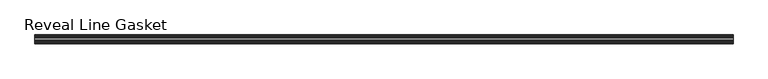
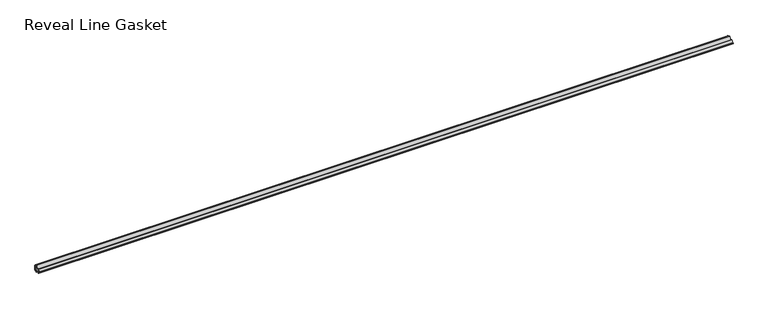
"""IFC4 building model written with IfcOpenShell, lengths in millimetres: furniture geometry, Reveal Line Gasket."""

from ifc_helpers import new_model, si_unit, point, frame, frame_2d, origin, place, context, project, spatial, polyline, circle_curve, trimmed, segment, composite_curve, outline, extrude, source, transform, mapped, element, save


def reveal_line_gasket_9a417f64(model_context):
    return source(origin(), model_context, "Body", "SweptSolid", [
        extrude(outline(composite_curve([segment(polyline([(7.6326998, 1603.2), (7.6326998, 1597.2), (7.4091917, 1596.2445073), (6.8813059, 1595.3115316)]), True, "CONTINUOUS"), segment(trimmed(circle_curve(frame_2d((6.5243141, 1595.5135207)), 0.4101739), [point((6.8813059, 1595.3115316))], [point((6.1246704, 1595.6058653))], False, "CARTESIAN"), True, "CONTINUOUS"), segment(polyline([(6.1246704, 1595.6058653), (6.3626997, 1597.3020914), (6.3626997, 1599.3345473)]), True, "CONTINUOUS"), segment(trimmed(circle_curve(frame_2d((5.6959605, 1598.9180742)), 0.786124), [point((6.3626997, 1599.3345473))], [point((5.0926996, 1599.422125))], True, "CARTESIAN"), True, "CONTINUOUS"), segment(polyline([(5.0926996, 1599.422125), (0.7492996, 1599.422125), (3.7293824, 1594.2604705)]), True, "CONTINUOUS"), segment(trimmed(circle_curve(frame_2d((3.3132479, 1594.1950239)), 0.4212495), [point((3.7293824, 1594.2604705))], [point((3.0485022, 1593.8673642))], False, "CARTESIAN"), True, "CONTINUOUS"), segment(polyline([(3.0485022, 1593.8673642), (-0.5742594, 1599.422125), (-4.8262978, 1599.422125), (-3.1660374, 1596.5464703)]), True, "CONTINUOUS"), segment(trimmed(circle_curve(frame_2d((-3.5978728, 1596.4881145)), 0.4357605), [point((-3.1660374, 1596.5464703))], [point((-3.864328, 1596.1433119))], False, "CARTESIAN"), True, "CONTINUOUS"), segment(polyline([(-3.864328, 1596.1433119), (-6.1944059, 1599.422125), (-7.6326998, 1599.422125), (-7.6326998, 1600.977875), (-6.1944059, 1600.977875), (-3.864328, 1604.2566881)]), True, "CONTINUOUS"), segment(trimmed(circle_curve(frame_2d((-3.5978728, 1603.9118855)), 0.4357605), [point((-3.864328, 1604.2566881))], [point((-3.1660374, 1603.8535297))], False, "CARTESIAN"), True, "CONTINUOUS"), segment(polyline([(-3.1660374, 1603.8535297), (-4.8262978, 1600.977875), (-0.5742594, 1600.977875), (3.0485022, 1606.5326358)]), True, "CONTINUOUS"), segment(trimmed(circle_curve(frame_2d((3.3132479, 1606.2049761)), 0.4212495), [point((3.0485022, 1606.5326358))], [point((3.7293824, 1606.1395295))], False, "CARTESIAN"), True, "CONTINUOUS"), segment(polyline([(3.7293824, 1606.1395295), (0.7492996, 1600.977875), (5.0926996, 1600.977875)]), True, "CONTINUOUS"), segment(trimmed(circle_curve(frame_2d((5.6959605, 1601.4819258)), 0.786124), [point((5.0926996, 1600.977875))], [point((6.3626997, 1601.0654527))], True, "CARTESIAN"), True, "CONTINUOUS"), segment(polyline([(6.3626997, 1601.0654527), (6.3626997, 1603.0979086), (6.1246704, 1604.7941347)]), True, "CONTINUOUS"), segment(trimmed(circle_curve(frame_2d((6.5243141, 1604.8864793)), 0.4101739), [point((6.1246704, 1604.7941347))], [point((6.8813059, 1605.0884684))], False, "CARTESIAN"), True, "CONTINUOUS"), segment(polyline([(6.8813059, 1605.0884684), (7.4091917, 1604.1554927), (7.6326998, 1603.2)]), True, "CONTINUOUS")], self_intersect=False)), frame((-603.2666441, 0.0, 0.0), z_axis=(1.0, 0.0, 0.0), x_axis=(0.0, 1.0, 0.0)), (0.0, 0.0, 1.0), 1206.5332882),
    ])


if __name__ == "__main__":
    model = new_model("IFC4")
    model_context = context("Model", 3, world=origin())
    ifc_project = project(units=[si_unit("LENGTHUNIT", "METRE", prefix="MILLI")], contexts=[model_context])
    site = spatial("IfcSite", under=ifc_project)
    building = spatial("IfcBuilding", under=site)
    placement = place(None, origin())
    reveal_line_gasket_shape = reveal_line_gasket_9a417f64(model_context)
    element("IfcFurniture", 1, ObjectType="Reveal Line Gasket", at=placement, inside=building, context=model_context, shape_type="MappedRepresentation", body=[
        mapped(reveal_line_gasket_shape, transform((0.0, 0.0, 0.0), x_axis=(1.0, 0.0, 0.0), y_axis=(0.0, 1.0, 0.0), z_axis=(0.0, 0.0, 1.0))),
    ])
    save(model, "model.ifc")
